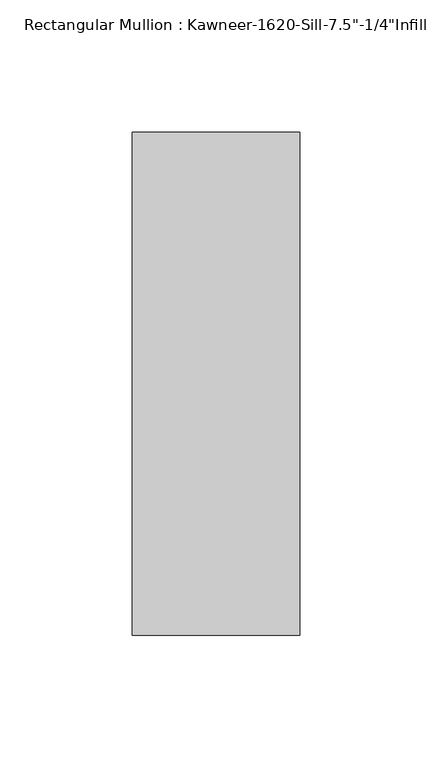
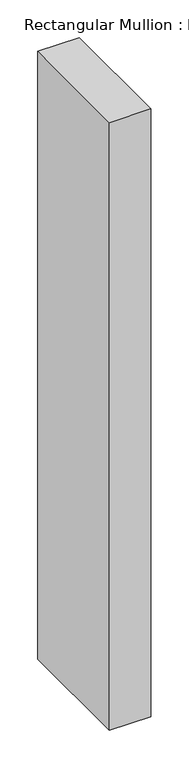
"""IFC4 building model written with IfcOpenShell, lengths in millimetres: member geometry."""

from ifc_helpers import new_model, si_unit, frame, origin, place, context, project, spatial, polyline, outline, extrude, source, transform, mapped, element, save


def member_32ad38d7(model_context):
    return source(origin(), model_context, "Body", "SweptSolid", [
        extrude(outline(polyline([(-63.5, 28.575), (0.0, 28.575), (0.0, -161.925), (-63.5, -161.925), (-63.5, 28.575)])), frame((0.0, 0.0, -984.25), z_axis=(0.0, 0.0, 1.0), x_axis=(1.0, 0.0, 0.0)), (0.0, 0.0, 1.0), 984.25),
    ])


if __name__ == "__main__":
    model = new_model("IFC4")
    model_context = context("Model", 3, world=origin())
    ifc_project = project(units=[si_unit("LENGTHUNIT", "METRE", prefix="MILLI")], contexts=[model_context])
    site = spatial("IfcSite", under=ifc_project)
    building = spatial("IfcBuilding", under=site)
    placement = place(None, origin())
    member_shape = member_32ad38d7(model_context)
    element("IfcMember", 1, ObjectType="Rectangular Mullion : Kawneer-1620-Sill-7.5\"-1/4\"Infill", at=placement, inside=building, context=model_context, shape_type="MappedRepresentation", body=[
        mapped(member_shape, transform((0.0, 0.0, 0.0), x_axis=(1.0, 0.0, 0.0), y_axis=(0.0, 1.0, 0.0), z_axis=(0.0, 0.0, 1.0))),
    ])
    save(model, "model.ifc")
